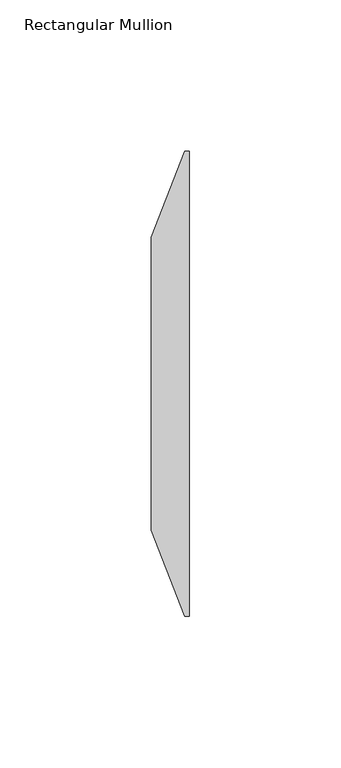
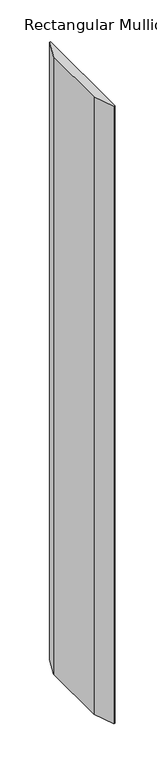
"""IFC4 building model written with IfcOpenShell, lengths in millimetres: member geometry, Rectangular Mullion."""

from ifc_helpers import new_model, si_unit, frame, origin, place, context, project, spatial, polyline, outline, extrude, source, transform, mapped, element, save


def rectangular_mullion_088c1294(model_context):
    return source(origin(), model_context, "Body", "SweptSolid", [
        extrude(outline(polyline([(0.0, 66.675), (0.0, -87.3125), (-1.5875, -87.3125), (-12.7, -58.7375), (-12.7, 38.1), (-1.5875, 66.675), (0.0, 66.675)])), frame((0.0, 0.0, -902.335), z_axis=(0.0, 0.0, 1.0), x_axis=(1.0, 0.0, 0.0)), (0.0, 0.0, 1.0), 902.335),
    ])


if __name__ == "__main__":
    model = new_model("IFC4")
    model_context = context("Model", 3, world=origin())
    ifc_project = project(units=[si_unit("LENGTHUNIT", "METRE", prefix="MILLI")], contexts=[model_context])
    site = spatial("IfcSite", under=ifc_project)
    building = spatial("IfcBuilding", under=site)
    placement = place(None, origin())
    rectangular_mullion_shape = rectangular_mullion_088c1294(model_context)
    element("IfcMember", 1, ObjectType="Rectangular Mullion", at=placement, inside=building, context=model_context, shape_type="MappedRepresentation", body=[
        mapped(rectangular_mullion_shape, transform((0.0, 0.0, 0.0), x_axis=(1.0, 0.0, 0.0), y_axis=(0.0, 1.0, 0.0), z_axis=(0.0, 0.0, 1.0))),
    ])
    save(model, "model.ifc")
